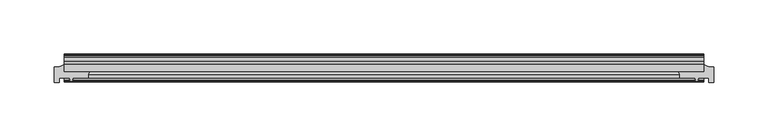
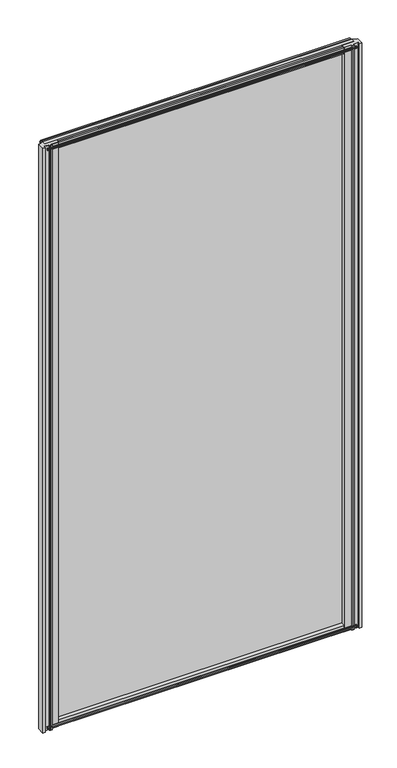
"""IFC4 building model written with IfcOpenShell, lengths in millimetres: plate geometry."""

from ifc_helpers import new_model, si_unit, point, frame, frame_2d, origin, place, context, project, spatial, polyline, circle_curve, trimmed, segment, composite_curve, outline, extrude, source, transform, mapped, element, save


def plate_c55985ff(model_context):
    return source(origin(), model_context, "Body", "SweptSolid", [
        extrude(outline(polyline([(-295.277249, -19.5460937), (295.277249, -19.5460937), (295.277249, -25.8960937), (-295.277249, -25.8960937), (-295.277249, -19.5460937)])), frame((0.0, 0.0, -12.7), z_axis=(0.0, 0.0, 1.0), x_axis=(1.0, 0.0, 0.0)), (0.0, 0.0, 1.0), 1181.1),
        extrude(outline(composite_curve([segment(polyline([(304.802249, -22.0782211), (304.802249, -36.1501817), (300.027049, -36.1501817), (300.027049, -32.2460937), (290.2015343, -32.2460937), (289.8840343, -34.3506957), (291.1026402, -34.0241712), (291.3064343, -34.7847412), (288.9315343, -35.4210937), (286.5566343, -34.7847412), (286.7604285, -34.0241712), (287.9790343, -34.3506957), (287.6615343, -32.2460937), (273.053103, -32.2460937)]), True, "CONTINUOUS"), segment(trimmed(circle_curve(frame_2d((264.2476731, -30.493422)), 8.9781654), [point((273.053103, -32.2460937))], [point((271.959484, -25.8960937))], True, "CARTESIAN"), True, "CONTINUOUS"), segment(polyline([(271.959484, -25.8960937), (295.2815343, -25.8960937), (295.2815343, -19.5460937)]), True, "CONTINUOUS"), segment(trimmed(circle_curve(frame_2d((304.802249, -2.913372)), 19.164849), [point((295.2815343, -19.5460937))], [point((304.802249, -22.0782211))], True, "CARTESIAN"), True, "CONTINUOUS")], self_intersect=False)), frame((0.0, 0.0, -12.7), z_axis=(0.0, 0.0, 1.0), x_axis=(1.0, 0.0, 0.0)), (0.0, 0.0, 1.0), 1181.1),
        extrude(outline(composite_curve([segment(trimmed(circle_curve(frame_2d((-304.802249, -2.913372)), 19.164849), [point((-304.802249, -22.0782211))], [point((-295.2815343, -19.5460937))], True, "CARTESIAN"), True, "CONTINUOUS"), segment(polyline([(-295.2815343, -19.5460937), (-295.2815343, -25.8960937), (-271.959484, -25.8960937)]), True, "CONTINUOUS"), segment(trimmed(circle_curve(frame_2d((-264.2476731, -30.493422)), 8.9781654), [point((-271.959484, -25.8960937))], [point((-273.053103, -32.2460937))], True, "CARTESIAN"), True, "CONTINUOUS"), segment(polyline([(-273.053103, -32.2460937), (-287.6615343, -32.2460937), (-287.9790343, -34.3506957), (-286.7604285, -34.0241712), (-286.5566343, -34.7847412), (-288.9315343, -35.4210937), (-291.3064343, -34.7847412), (-291.1026402, -34.0241712), (-289.8840343, -34.3506957), (-290.2015343, -32.2460937), (-300.027049, -32.2460937), (-300.027049, -36.1501817), (-304.802249, -36.1501817), (-304.802249, -22.0782211)]), True, "CONTINUOUS")], self_intersect=False)), frame((0.0, 0.0, -12.7), z_axis=(0.0, 0.0, 1.0), x_axis=(1.0, 0.0, 0.0)), (0.0, 0.0, 1.0), 1181.1),
        extrude(outline(polyline([(-13.1960937, 1168.1587), (-13.1960937, 1163.7137), (-10.8158968, 1163.3327), (-11.27583, 1164.748229), (-10.4746158, 1164.748229), (-9.7670937, 1162.5707), (-10.4746158, 1160.3931709), (-11.27583, 1160.3931709), (-10.8158968, 1161.8087), (-13.1960937, 1161.4277), (-13.1960937, 1156.2207), (-19.5460937, 1154.1154229), (-19.5460937, 1165.9460038), (-16.1424937, 1168.1587), (-13.1960937, 1168.1587)])), frame((-295.277249, 0.0, 0.0), z_axis=(1.0, 0.0, 0.0), x_axis=(0.0, 1.0, 0.0)), (0.0, 0.0, 1.0), 590.5544979),
        extrude(outline(polyline([(-29.2996937, 1167.638), (-25.8960937, 1165.4253038), (-25.8960937, 1153.5947229), (-32.2460937, 1155.7), (-32.2460937, 1160.907), (-34.6262907, 1161.288), (-34.1663575, 1159.8724709), (-34.9675717, 1159.8724709), (-35.6750937, 1162.05), (-34.9675717, 1164.2275291), (-34.1663575, 1164.2275291), (-34.6262907, 1162.812), (-32.2460937, 1163.193), (-32.2460937, 1167.638), (-29.2996937, 1167.638)])), frame((-295.277249, 0.0, 0.0), z_axis=(1.0, 0.0, 0.0), x_axis=(0.0, 1.0, 0.0)), (0.0, 0.0, 1.0), 590.5544979),
        extrude(outline(polyline([(-25.8960937, 2.1052771), (-25.8960937, -9.7253038), (-29.2996937, -11.938), (-32.2460937, -11.938), (-32.2460937, -7.493), (-34.6262907, -7.112), (-34.1663575, -8.5275291), (-34.9675717, -8.5275291), (-35.6750937, -6.35), (-34.9675717, -4.1724709), (-34.1663575, -4.1724709), (-34.6262907, -5.588), (-32.2460937, -5.207), (-32.2460937, 0.0), (-25.8960937, 2.1052771)])), frame((-295.277249, 0.0, 0.0), z_axis=(1.0, 0.0, 0.0), x_axis=(0.0, 1.0, 0.0)), (0.0, 0.0, 1.0), 590.5544979),
        extrude(outline(polyline([(-19.5460937, 1.5845771), (-13.1960937, -0.5207), (-13.1960937, -5.7277), (-10.8158968, -6.1087), (-11.27583, -4.6931709), (-10.4746158, -4.6931709), (-9.7670937, -6.8707), (-10.4746158, -9.048229), (-11.27583, -9.048229), (-10.8158968, -7.6327), (-13.1960937, -8.0137), (-13.1960937, -12.4587), (-16.1424937, -12.4587), (-19.5460937, -10.2460038), (-19.5460937, 1.5845771)])), frame((-295.277249, 0.0, 0.0), z_axis=(1.0, 0.0, 0.0), x_axis=(0.0, 1.0, 0.0)), (0.0, 0.0, 1.0), 590.5544979),
    ])


if __name__ == "__main__":
    model = new_model("IFC4")
    model_context = context("Model", 3, world=origin())
    ifc_project = project(units=[si_unit("LENGTHUNIT", "METRE", prefix="MILLI")], contexts=[model_context])
    site = spatial("IfcSite", under=ifc_project)
    building = spatial("IfcBuilding", under=site)
    placement = place(None, origin())
    plate_shape = plate_c55985ff(model_context)
    element("IfcPlate", 1, at=placement, inside=building, context=model_context, shape_type="MappedRepresentation", body=[
        mapped(plate_shape, transform((0.0, 0.0, 0.0), x_axis=(1.0, 0.0, 0.0), y_axis=(0.0, 1.0, 0.0), z_axis=(0.0, 0.0, 1.0))),
    ])
    save(model, "model.ifc")
